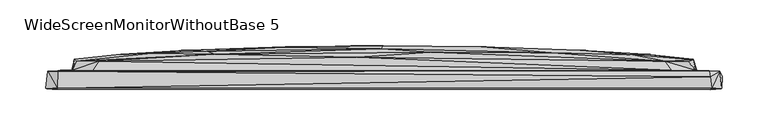
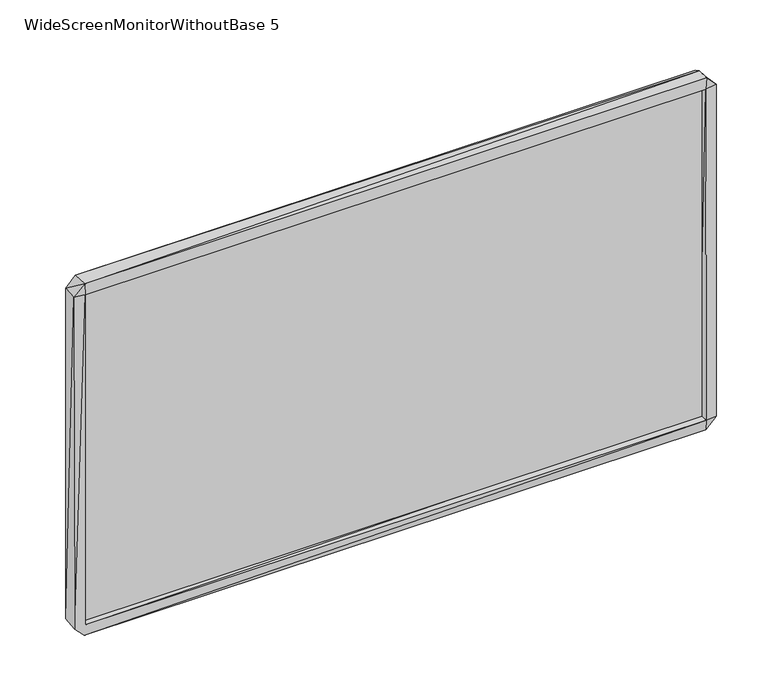
"""IFC4 building model written with IfcOpenShell, lengths in millimetres: furniture geometry, WideScreenMonitorWithoutBase 5."""

from ifc_helpers import new_model, si_unit, origin, place, context, project, spatial, triangles, source, transform, mapped, element, save


def widescreenmonitorwithoutbase_5_673798bc(model_context):
    return source(origin(), model_context, "Body", "Tessellation", [
        triangles([(353.2529291, 2.235503, 16.4824934), (353.2529291, 2.235503, 411.9211867), (353.2529291, 0.435503, 16.4824934), (353.2529291, 0.435503, 411.9211867), (-353.2537285, 0.4356083, 411.9211867), (-353.2537285, 2.2356081, 411.9211867), (-353.2537285, 2.2356081, 16.4824934), (-353.2537285, 0.4356083, 16.4824934)], [[1, 2, 3], [3, 2, 4], [5, 4, 2], [5, 2, 6], [7, 1, 3], [7, 3, 8], [7, 6, 1], [7, 8, 5], [7, 5, 6], [8, 3, 4], [8, 4, 5], [1, 6, 2]]),
        triangles([(-367.6014719, -2.9799451, 12.6810437), (-366.7014905, 15.8200543, 13.7810436), (-356.6014893, -3.0799469, 1.5810433), (-368.5014896, -2.3799451, 414.8766749), (-355.5014837, -3.0799469, 14.0810434), (-355.8015018, -3.5799468, 414.5766932), (-340.2015092, 16.9200507, 44.3027827), (-355.7014715, 16.5200536, 2.6810435), (-339.8014973, 16.9200507, 383.4549374), (-366.6014966, 16.2200537, 413.9766572), (-355.8015018, 10.1200536, 0.0810433), (356.1369101, -2.3800531, 0.6810433), (356.1369101, -4.0800531, 13.4810437), (356.7369098, 16.0199456, 2.6810435), (-315.8241091, 16.9200473, 23.781043), (353.2369054, 4.9199469, 16.4810434), (-353.301509, 4.9200525, 16.4810434), (-353.301509, 4.9200525, 411.8766764), (353.2369054, 4.9199469, 411.8766764), (-327.7014728, 26.504807, 34.0810411), (-288.5240858, 27.5048028, 26.981043), (-130.5144899, 30.6047771, 26.8810423), (176.0273187, 29.8047328, 26.8810423), (315.7595055, 16.9199542, 23.8810414), (341.1369172, 16.9199497, 44.6027826), (312.359495, 26.8047115, 27.7810441), (355.7368981, -3.4800531, 414.5766932), (367.7368924, -3.0800548, 13.5810433), (368.9368918, 9.8199448, 13.1810439), (366.3369052, 16.5199469, 15.0810437), (366.5369293, 16.1199463, 414.5766932), (368.5368799, -2.3800549, 415.176693), (-337.6014862, 28.1048093, 88.6245142), (-287.0240865, 34.6047986, 193.7679873), (-158.1918885, 38.8047807, 110.2245129), (-214.8692974, 39.0047912, 188.8679957), (-50.259682, 36.5047667, 64.8027805), (183.627309, 34.4047314, 64.8027805), (335.8369137, 26.804707, 48.2027809), (340.2368995, 16.9199497, 385.0549487), (337.6369128, 29.1047074, 142.2462593), (3.2177161, 40.7047556, 110.2245129), (192.8273107, 37.6047268, 110.2245129), (251.1821064, 36.0047223, 142.7462742), (-337.6014862, 29.2048103, 256.7897401), (-105.9370748, 42.6047759, 187.2680025), (58.195117, 42.7047516, 160.7462565), (-0.7822821, 43.7047542, 241.8897411), (105.9725196, 42.6047441, 240.8897477), (214.3047243, 39.0047231, 239.1897424), (286.3595195, 34.7047199, 233.589739), (337.6369128, 28.404707, 320.6331905), (-253.1466848, 35.9047942, 285.5114608), (-108.2370797, 42.2047731, 267.3114816), (-335.6014629, 26.7048085, 379.1549455), (-3.4822837, 40.7047556, 317.93321), (183.2272971, 36.4047319, 339.7332238), (270.9821151, 33.9047165, 317.93321), (-193.2918899, 37.6047859, 317.93321), (-184.291876, 34.4047836, 363.3549651), (51.2951112, 36.5047531, 363.3549651), (306.6595159, 27.0047129, 400.6766696), (331.9368974, 26.304708, 390.5767047), (-355.7014715, 16.0200523, 425.8766939), (-317.2240963, 16.9200473, 404.77671), (-310.9240811, 26.9048053, 399.8766821), (313.8595124, 16.9199542, 404.6766798), (355.0369045, 16.5199491, 425.6766698), (-29.4596844, 31.1047625, 401.2766693), (-355.9014956, -2.6799469, 427.376675), (357.3369095, -2.5800532, 427.376675), (355.836892, 10.119948, 428.2766928)], [[1, 2, 3], [1, 4, 2], [1, 3, 5], [1, 5, 6], [1, 6, 4], [2, 7, 8], [2, 9, 7], [2, 10, 9], [2, 11, 3], [2, 8, 11], [2, 4, 10], [3, 11, 12], [3, 13, 5], [3, 12, 13], [11, 8, 14], [11, 14, 12], [8, 15, 14], [8, 7, 15], [5, 16, 17], [5, 13, 16], [5, 17, 18], [5, 18, 6], [17, 16, 19], [17, 19, 18], [15, 7, 20], [15, 20, 21], [15, 21, 22], [15, 22, 23], [15, 23, 24], [15, 24, 14], [24, 25, 14], [24, 23, 26], [24, 26, 25], [16, 13, 27], [16, 27, 19], [13, 12, 28], [13, 28, 27], [12, 29, 28], [12, 14, 29], [14, 25, 30], [14, 30, 29], [30, 31, 29], [30, 25, 31], [28, 32, 27], [28, 29, 32], [29, 31, 32], [20, 7, 33], [20, 33, 34], [20, 35, 21], [20, 34, 36], [20, 36, 35], [21, 37, 22], [21, 35, 37], [22, 37, 23], [23, 37, 38], [23, 38, 39], [23, 39, 26], [26, 39, 25], [7, 9, 33], [25, 40, 31], [25, 39, 41], [25, 41, 40], [37, 35, 42], [37, 42, 38], [38, 42, 43], [38, 43, 44], [38, 44, 39], [39, 44, 41], [33, 45, 34], [33, 9, 45], [35, 36, 46], [35, 46, 42], [42, 47, 43], [42, 46, 47], [43, 47, 44], [47, 46, 48], [47, 48, 49], [47, 49, 50], [47, 50, 44], [44, 50, 51], [44, 51, 41], [41, 51, 52], [41, 52, 40], [34, 45, 53], [34, 53, 36], [36, 53, 54], [36, 54, 46], [46, 54, 48], [45, 55, 53], [45, 9, 55], [48, 54, 56], [48, 56, 49], [49, 56, 57], [49, 57, 50], [50, 57, 58], [50, 58, 51], [51, 58, 52], [53, 59, 54], [53, 55, 60], [53, 60, 59], [54, 59, 56], [59, 60, 56], [56, 60, 61], [56, 61, 57], [57, 61, 62], [57, 62, 58], [58, 62, 52], [52, 62, 63], [52, 63, 40], [9, 10, 64], [9, 64, 65], [9, 65, 66], [9, 66, 55], [40, 63, 62], [40, 67, 68], [40, 68, 31], [40, 62, 67], [55, 66, 60], [60, 66, 69], [60, 69, 61], [61, 69, 62], [4, 70, 10], [4, 6, 70], [10, 70, 64], [70, 6, 27], [70, 27, 71], [70, 72, 64], [70, 71, 72], [6, 18, 27], [64, 72, 68], [64, 67, 65], [64, 68, 67], [18, 19, 27], [65, 67, 66], [67, 69, 66], [67, 62, 69], [68, 72, 31], [27, 32, 71], [72, 71, 31], [71, 32, 31]]),
    ])


if __name__ == "__main__":
    model = new_model("IFC4")
    model_context = context("Model", 3, world=origin())
    ifc_project = project(units=[si_unit("LENGTHUNIT", "METRE", prefix="MILLI")], contexts=[model_context])
    site = spatial("IfcSite", under=ifc_project)
    building = spatial("IfcBuilding", under=site)
    placement = place(None, origin())
    widescreenmonitorwithoutbase_5_shape = widescreenmonitorwithoutbase_5_673798bc(model_context)
    element("IfcFurniture", 1, ObjectType="WideScreenMonitorWithoutBase 5", at=placement, inside=building, context=model_context, shape_type="MappedRepresentation", body=[
        mapped(widescreenmonitorwithoutbase_5_shape, transform((0.0, 0.0, 0.0), x_axis=(1.0, 0.0, 0.0), y_axis=(0.0, 1.0, 0.0), z_axis=(0.0, 0.0, 1.0))),
    ])
    save(model, "model.ifc")
